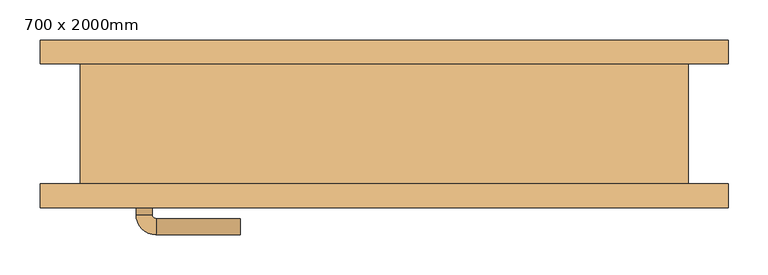
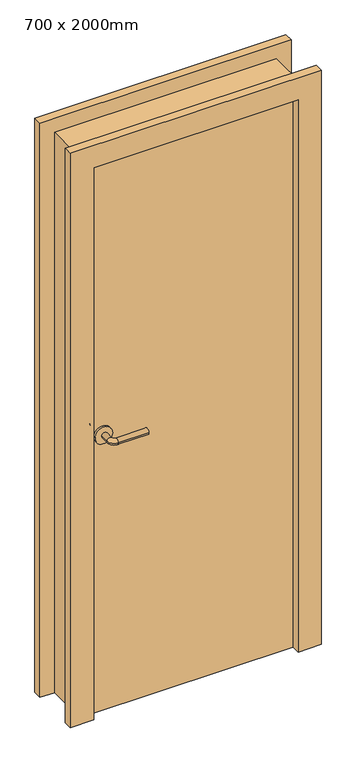
"""IFC4 building model written with IfcOpenShell, lengths in millimetres: door geometry, 700 x 2000mm."""

from ifc_helpers import new_model, si_unit, point, frame, frame_2d, origin, origin_with_axes, place, context, project, spatial, polyline, circle_curve, ellipse_curve, trimmed, segment, composite_curve, outline, extrude, faceted_brep, source, transform, mapped, element, save
from ifc_brep_helpers import plane_surface, cylinder_surface, revolved_surface, advanced_brep


def door_700_x_2000mm_ef95f95b(model_context):
    return source(origin(), model_context, "Body", "SolidModel", [
        advanced_brep(
        [(-310.0, -47.0, 1000.0), (-290.0, -47.0, 1000.0), (-310.0, -17.0, 1000.0), (-290.0, -17.0, 1000.0), (-285.0, -12.0, 1000.0), (-285.0, 8.0, 1000.0), (-180.0, 8.0, 1000.0), (-180.0, -12.0, 1000.0)],
        [
            (0, 1, circle_curve(frame((-300.0, -47.0, 1000.0), z_axis=(0.0, -1.0, 0.0), x_axis=(0.9999999999999986, 0.0, 0.0)), 10.0)),
            (1, 0, circle_curve(frame((-300.0, -47.0, 1000.0), z_axis=(0.0, -1.0, 0.0), x_axis=(0.9999999999999986, 0.0, 0.0)), 10.0)),
            (0, 2),
            (2, 3, circle_curve(frame((-300.0, -17.0, 1000.0), z_axis=(0.0, -1.0, 0.0), x_axis=(0.9999999999999986, 0.0, 0.0)), 10.0)),
            (3, 1),
            (3, 2, circle_curve(frame((-300.0, -17.0, 1000.0), z_axis=(0.0, -1.0, 0.0), x_axis=(0.9999999999999986, 0.0, 0.0)), 10.0)),
            (4, 3, circle_curve(frame((-285.0, -17.0, 1000.0), z_axis=(0.0, 0.0, 1.0), x_axis=(-0.9999999999999986, 0.0, 0.0)), 5.0)),
            (2, 5, circle_curve(frame((-285.0, -17.0, 1000.0), z_axis=(0.0, 0.0, -1.0), x_axis=(-0.9999999999999986, 0.0, 0.0)), 25.0)),
            (5, 4, circle_curve(frame((-285.0, -2.0, 1000.0), z_axis=(-0.9999999999999986, 0.0, 0.0), x_axis=(0.0, -0.9999999999999986, 0.0)), 10.0)),
            (4, 5, circle_curve(frame((-285.0, -2.0, 1000.0), z_axis=(-0.9999999999999986, 0.0, 0.0), x_axis=(0.0, -0.9999999999999986, 0.0)), 10.0)),
            (6, 7, circle_curve(frame((-180.0, -2.0, 1000.0), z_axis=(1.0, 0.0, 0.0), x_axis=(0.0, -0.9999999999999986, 0.0)), 10.0)),
            (7, 6, circle_curve(frame((-180.0, -2.0, 1000.0), z_axis=(1.0, 0.0, 0.0), x_axis=(0.0, -0.9999999999999986, 0.0)), 10.0)),
            (5, 6),
            (7, 4),
        ],
        [
            plane_surface(frame((-300.0, -47.0, 1000.0), z_axis=(0.0, -1.0, 0.0), x_axis=(0.0, 0.0, 1.0))),
            cylinder_surface(frame((-300.0, -47.0, 1000.0), z_axis=(0.0, -0.9999999999999986, 0.0), x_axis=(0.9999999999999986, 0.0, 0.0)), 10.0),
            revolved_surface(trimmed(ellipse_curve(frame((-300.0, -17.0, 1000.0), z_axis=(0.0, -0.9999999999999986, 0.0), x_axis=(0.9999999999999986, 0.0, 0.0)), 10.0, 10.0), [point((-310.0, -17.0, 1000.0))], [point((-290.0, -17.0, 1000.0))], True, "CARTESIAN"), (-285.0, -17.0, 1000.0), (0.0, 0.0, -1.0)),
            revolved_surface(trimmed(ellipse_curve(frame((-300.0, -17.0, 1000.0), z_axis=(0.0, -0.9999999999999986, 0.0), x_axis=(0.9999999999999986, 0.0, 0.0)), 10.0, 10.0), [point((-290.0, -17.0, 1000.0))], [point((-310.0, -17.0, 1000.0))], True, "CARTESIAN"), (-285.0, -17.0, 1000.0), (0.0, 0.0, -1.0)),
            plane_surface(frame((-180.0, -2.0, 1000.0), z_axis=(1.0, 0.0, 0.0), x_axis=(0.0, 0.0, 1.0))),
            cylinder_surface(frame((-285.0, -2.0, 1000.0), z_axis=(-0.9999999999999986, 0.0, 0.0), x_axis=(0.0, -0.9999999999999986, 0.0)), 10.0),
        ],
        [
            (0, [[1, 2]]),
            (1, [[-1, 3, 4, 5]]),
            (1, [[-2, -5, 6, -3]]),
            (2, [[7, -4, 8, 9]]),
            (3, [[-8, -6, -7, 10]]),
            (4, [[11, 12]]),
            (5, [[-9, 13, -12, 14]]),
            (5, [[-10, -14, -11, -13]]),
        ],
    ),
        extrude(outline(composite_curve([segment(trimmed(circle_curve(frame_2d((1000.0, -302.5)), 30.0), [point((1000.0, -332.5))], [point((1000.0, -272.5))], False, "CARTESIAN"), True, "CONTINUOUS"), segment(trimmed(circle_curve(frame_2d((1000.0, -302.5)), 30.0), [point((1000.0, -272.5))], [point((1000.0, -332.5))], False, "CARTESIAN"), True, "CONTINUOUS")], self_intersect=False)), frame((0.0, -55.0, 0.0), z_axis=(0.0, 1.0, 0.0), x_axis=(0.0, 0.0, 1.0)), (0.0, 0.0, 1.0), 8.0),
        advanced_brep(
        [(-310.0, -83.0, 1000.0), (-290.0, -83.0, 1000.0), (-290.0, -113.0, 1000.0), (-310.0, -113.0, 1000.0), (-285.0, -118.0, 1000.0), (-285.0, -138.0, 1000.0), (-180.0, -138.0, 1000.0), (-180.0, -118.0, 1000.0)],
        [
            (0, 1, circle_curve(frame((-300.0, -83.0, 1000.0), z_axis=(0.0, 1.0, 0.0), x_axis=(0.9999999999999992, 0.0, 0.0)), 10.0)),
            (1, 0, circle_curve(frame((-300.0, -83.0, 1000.0), z_axis=(0.0, 1.0, 0.0), x_axis=(0.9999999999999992, 0.0, 0.0)), 10.0)),
            (1, 2),
            (2, 3, circle_curve(frame((-300.0, -113.0, 1000.0), z_axis=(0.0, 1.0, 0.0), x_axis=(0.9999999999999992, 0.0, 0.0)), 10.0)),
            (3, 0),
            (3, 2, circle_curve(frame((-300.0, -113.0, 1000.0), z_axis=(0.0, 1.0, 0.0), x_axis=(0.9999999999999992, 0.0, 0.0)), 10.0)),
            (4, 5, circle_curve(frame((-285.0, -128.0, 1000.0), z_axis=(-0.9999999999999992, 0.0, 0.0), x_axis=(0.0, 0.9999999999999992, 0.0)), 10.0)),
            (5, 3, circle_curve(frame((-285.0, -113.0, 1000.0), z_axis=(0.0, 0.0, -1.0), x_axis=(-0.9999999999999992, 0.0, 0.0)), 25.0)),
            (2, 4, circle_curve(frame((-285.0, -113.0, 1000.0), z_axis=(0.0, 0.0, 1.0), x_axis=(-0.9999999999999992, 0.0, 0.0)), 5.0)),
            (5, 4, circle_curve(frame((-285.0, -128.0, 1000.0), z_axis=(-0.9999999999999992, 0.0, 0.0), x_axis=(0.0, 0.9999999999999992, 0.0)), 10.0)),
            (6, 7, circle_curve(frame((-180.0, -128.0, 1000.0), z_axis=(1.0, 0.0, 0.0), x_axis=(0.0, 0.9999999999999992, 0.0)), 10.0)),
            (7, 6, circle_curve(frame((-180.0, -128.0, 1000.0), z_axis=(1.0, 0.0, 0.0), x_axis=(0.0, 0.9999999999999992, 0.0)), 10.0)),
            (4, 7),
            (6, 5),
        ],
        [
            plane_surface(frame((-300.0, -83.0, 1000.0), z_axis=(0.0, 1.0, 0.0), x_axis=(0.0, 0.0, 1.0))),
            cylinder_surface(frame((-300.0, -83.0, 1000.0), z_axis=(0.0, 0.9999999999999992, 0.0), x_axis=(0.9999999999999992, 0.0, 0.0)), 10.0),
            revolved_surface(trimmed(ellipse_curve(frame((-300.0, -113.0, 1000.0), z_axis=(0.0, -0.9999999999999992, 0.0), x_axis=(0.9999999999999992, 0.0, 0.0)), 10.0, 10.0), [point((-310.0, -113.0, 1000.0))], [point((-290.0, -113.0, 1000.0))], True, "CARTESIAN"), (-285.0, -113.0, 1000.0), (0.0, 0.0, -1.0)),
            revolved_surface(trimmed(ellipse_curve(frame((-300.0, -113.0, 1000.0), z_axis=(0.0, -0.9999999999999992, 0.0), x_axis=(0.9999999999999992, 0.0, 0.0)), 10.0, 10.0), [point((-290.0, -113.0, 1000.0))], [point((-310.0, -113.0, 1000.0))], True, "CARTESIAN"), (-285.0, -113.0, 1000.0), (0.0, 0.0, -1.0)),
            plane_surface(frame((-180.0, -128.0, 1000.0), z_axis=(1.0, 0.0, 0.0), x_axis=(0.0, 0.0, 1.0))),
            cylinder_surface(frame((-285.0, -128.0, 1000.0), z_axis=(-0.9999999999999992, 0.0, 0.0), x_axis=(0.0, 0.9999999999999992, 0.0)), 10.0),
        ],
        [
            (0, [[1, 2]]),
            (1, [[3, 4, 5, -2]]),
            (1, [[-5, 6, -3, -1]]),
            (2, [[7, 8, -4, 9]]),
            (3, [[10, -9, -6, -8]]),
            (4, [[11, 12]]),
            (5, [[13, -11, 14, -7]]),
            (5, [[-14, -12, -13, -10]]),
        ],
    ),
        extrude(outline(composite_curve([segment(trimmed(circle_curve(frame_2d((1000.0, -302.5)), 30.0), [point((1000.0, -332.5))], [point((1000.0, -272.5))], False, "CARTESIAN"), True, "CONTINUOUS"), segment(trimmed(circle_curve(frame_2d((1000.0, -302.5)), 30.0), [point((1000.0, -272.5))], [point((1000.0, -332.5))], False, "CARTESIAN"), True, "CONTINUOUS")], self_intersect=False)), frame((0.0, -83.0, 0.0), z_axis=(0.0, 1.0, 0.0), x_axis=(0.0, 0.0, 1.0)), (0.0, 0.0, 1.0), 8.0),
        faceted_brep([(-380.0, -75.0, 0.0), (-380.0, 75.0, 0.0), (-430.0, 75.0, 0.0), (-430.0, 105.0, 0.0), (-350.0, 105.0, 0.0), (-350.0, -105.0, 0.0), (-430.0, -105.0, 0.0), (-430.0, -75.0, 0.0), (-430.0, -75.0, 2080.0), (430.0, -75.0, 2080.0), (430.0, -75.0, 0.0), (380.0, -75.0, 0.0), (380.0, -75.0, 2030.0), (-380.0, -75.0, 2030.0), (-430.0, -105.0, 2080.0), (-350.0, -105.0, 2000.0), (350.0, -105.0, 2000.0), (350.0, -105.0, 0.0), (430.0, -105.0, 0.0), (430.0, -105.0, 2080.0), (-350.0, 105.0, 2000.0), (-430.0, 105.0, 2080.0), (430.0, 105.0, 2080.0), (430.0, 105.0, 0.0), (350.0, 105.0, 0.0), (350.0, 105.0, 2000.0), (-430.0, 75.0, 2080.0), (-380.0, 75.0, 2030.0), (380.0, 75.0, 2030.0), (380.0, 75.0, 0.0), (430.0, 75.0, 0.0), (430.0, 75.0, 2080.0)], [[[0, 1, 2, 3, 4, 5, 6, 7]], [[7, 8, 9, 10, 11, 12, 13, 0]], [[6, 14, 8, 7]], [[5, 15, 16, 17, 18, 19, 14, 6]], [[4, 20, 15, 5]], [[3, 21, 22, 23, 24, 25, 20, 4]], [[2, 26, 21, 3]], [[1, 27, 28, 29, 30, 31, 26, 2]], [[0, 13, 27, 1]], [[12, 11, 29, 28]], [[11, 10, 18, 17, 24, 23, 30, 29]], [[19, 18, 10, 9]], [[25, 24, 17, 16]], [[31, 30, 23, 22]], [[14, 19, 9, 8]], [[20, 25, 16, 15]], [[26, 31, 22, 21]], [[13, 12, 28, 27]]]),
        extrude(outline(polyline([(-350.0, -75.0), (-350.0, -55.0), (350.0, -55.0), (350.0, -75.0), (-350.0, -75.0)])), origin_with_axes(), (0.0, 0.0, 1.0), 2000.0),
    ])


if __name__ == "__main__":
    model = new_model("IFC4")
    model_context = context("Model", 3, world=origin())
    ifc_project = project(units=[si_unit("LENGTHUNIT", "METRE", prefix="MILLI")], contexts=[model_context])
    site = spatial("IfcSite", under=ifc_project)
    building = spatial("IfcBuilding", under=site)
    placement = place(None, origin())
    door_700_x_2000mm_shape = door_700_x_2000mm_ef95f95b(model_context)
    element("IfcDoor", 1, ObjectType="700 x 2000mm", at=placement, inside=building, context=model_context, shape_type="MappedRepresentation", body=[
        mapped(door_700_x_2000mm_shape, transform((0.0, 0.0, 0.0), x_axis=(1.0, 0.0, 0.0), y_axis=(0.0, 1.0, 0.0), z_axis=(0.0, 0.0, 1.0))),
    ])
    save(model, "model.ifc")
